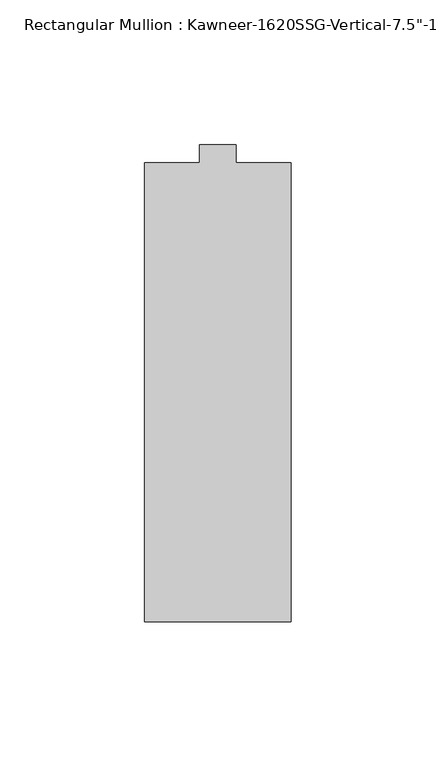
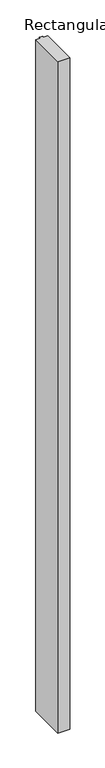
"""IFC4 building model written with IfcOpenShell, lengths in millimetres: member geometry."""

from ifc_helpers import new_model, si_unit, frame, origin, place, context, project, spatial, polyline, outline, extrude, source, transform, mapped, element, save


def member_3c417fca(model_context):
    return source(origin(), model_context, "Body", "SweptSolid", [
        extrude(outline(polyline([(25.4, -161.925), (-25.4, -161.925), (-25.4, -3.175), (-6.35, -3.175), (-6.35, 3.175), (6.35, 3.175), (6.35, -3.175), (25.4, -3.175), (25.4, -161.925)])), frame((0.0, 0.0, -2959.1), z_axis=(0.0, 0.0, 1.0), x_axis=(1.0, 0.0, 0.0)), (0.0, 0.0, 1.0), 2959.1),
    ])


if __name__ == "__main__":
    model = new_model("IFC4")
    model_context = context("Model", 3, world=origin())
    ifc_project = project(units=[si_unit("LENGTHUNIT", "METRE", prefix="MILLI")], contexts=[model_context])
    site = spatial("IfcSite", under=ifc_project)
    building = spatial("IfcBuilding", under=site)
    placement = place(None, origin())
    member_shape = member_3c417fca(model_context)
    element("IfcMember", 1, ObjectType="Rectangular Mullion : Kawneer-1620SSG-Vertical-7.5\"-1/4\"Infill-Standard", at=placement, inside=building, context=model_context, shape_type="MappedRepresentation", body=[
        mapped(member_shape, transform((0.0, 0.0, 0.0), x_axis=(1.0, 0.0, 0.0), y_axis=(0.0, 1.0, 0.0), z_axis=(0.0, 0.0, 1.0))),
    ])
    save(model, "model.ifc")
